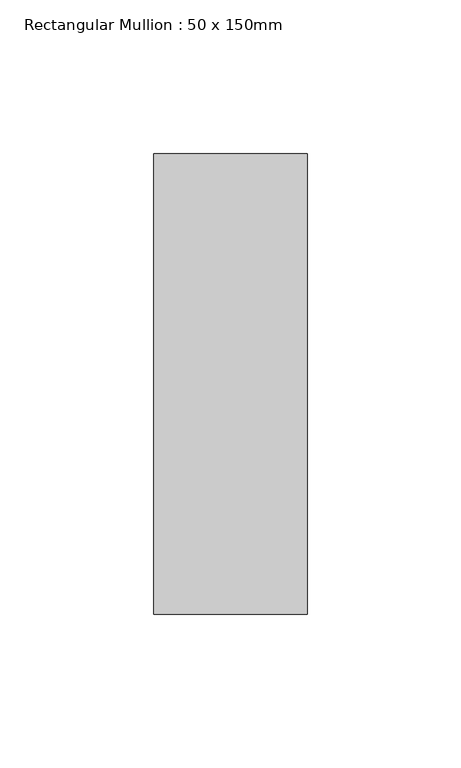
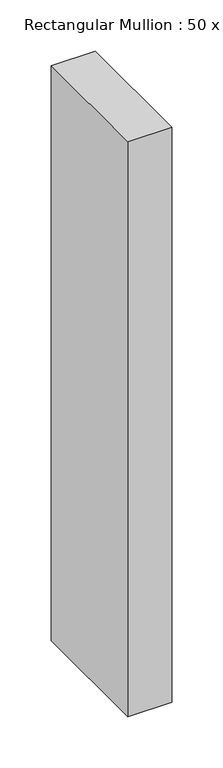
"""IFC4 building model written with IfcOpenShell, lengths in millimetres: member geometry, Rectangular Mullion : 50 x 150mm."""

from ifc_helpers import new_model, si_unit, frame, origin, place, context, project, spatial, polyline, outline, extrude, source, transform, mapped, element, save


def rectangular_mullion_50_x_150mm_f97a33b2(model_context):
    return source(origin(), model_context, "Body", "SweptSolid", [
        extrude(outline(polyline([(0.0, 75.0), (0.0, -75.0), (-50.0, -75.0), (-50.0, 75.0), (0.0, 75.0)])), frame((0.0, 0.0, -687.4666667), z_axis=(0.0, 0.0, 1.0), x_axis=(1.0, 0.0, 0.0)), (0.0, 0.0, 1.0), 687.4666667),
    ])


if __name__ == "__main__":
    model = new_model("IFC4")
    model_context = context("Model", 3, world=origin())
    ifc_project = project(units=[si_unit("LENGTHUNIT", "METRE", prefix="MILLI")], contexts=[model_context])
    site = spatial("IfcSite", under=ifc_project)
    building = spatial("IfcBuilding", under=site)
    placement = place(None, origin())
    rectangular_mullion_50_x_150mm_shape = rectangular_mullion_50_x_150mm_f97a33b2(model_context)
    element("IfcMember", 1, ObjectType="Rectangular Mullion : 50 x 150mm", at=placement, inside=building, context=model_context, shape_type="MappedRepresentation", body=[
        mapped(rectangular_mullion_50_x_150mm_shape, transform((0.0, 0.0, 0.0), x_axis=(1.0, 0.0, 0.0), y_axis=(0.0, 1.0, 0.0), z_axis=(0.0, 0.0, 1.0))),
    ])
    save(model, "model.ifc")
